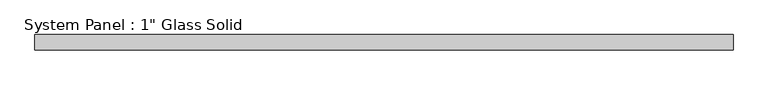
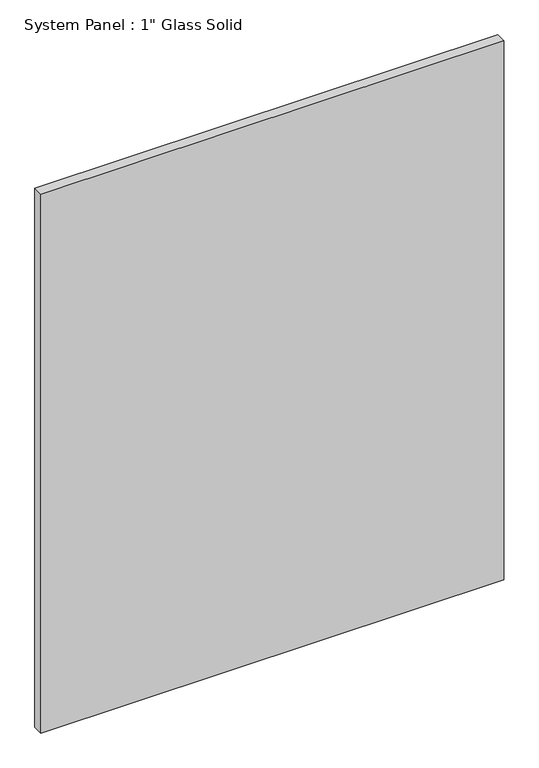
"""IFC4 building model written with IfcOpenShell, lengths in millimetres: plate geometry."""

from ifc_helpers import new_model, si_unit, origin, origin_with_axes, place, context, project, spatial, polyline, outline, extrude, source, transform, mapped, element, save


def plate_7ed3c49c(model_context):
    return source(origin(), model_context, "Body", "SweptSolid", [
        extrude(outline(polyline([(577.8508852, -12.7), (-577.8508852, -12.7), (-577.8508852, 12.7), (577.8508852, 12.7), (577.8508852, -12.7)])), origin_with_axes(), (0.0, 0.0, 1.0), 1422.2894027),
    ])


if __name__ == "__main__":
    model = new_model("IFC4")
    model_context = context("Model", 3, world=origin())
    ifc_project = project(units=[si_unit("LENGTHUNIT", "METRE", prefix="MILLI")], contexts=[model_context])
    site = spatial("IfcSite", under=ifc_project)
    building = spatial("IfcBuilding", under=site)
    placement = place(None, origin())
    plate_shape = plate_7ed3c49c(model_context)
    element("IfcPlate", 1, ObjectType="System Panel : 1\" Glass Solid", at=placement, inside=building, context=model_context, shape_type="MappedRepresentation", body=[
        mapped(plate_shape, transform((0.0, 0.0, 0.0), x_axis=(1.0, 0.0, 0.0), y_axis=(0.0, 1.0, 0.0), z_axis=(0.0, 0.0, 1.0))),
    ])
    save(model, "model.ifc")
